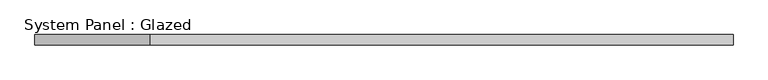
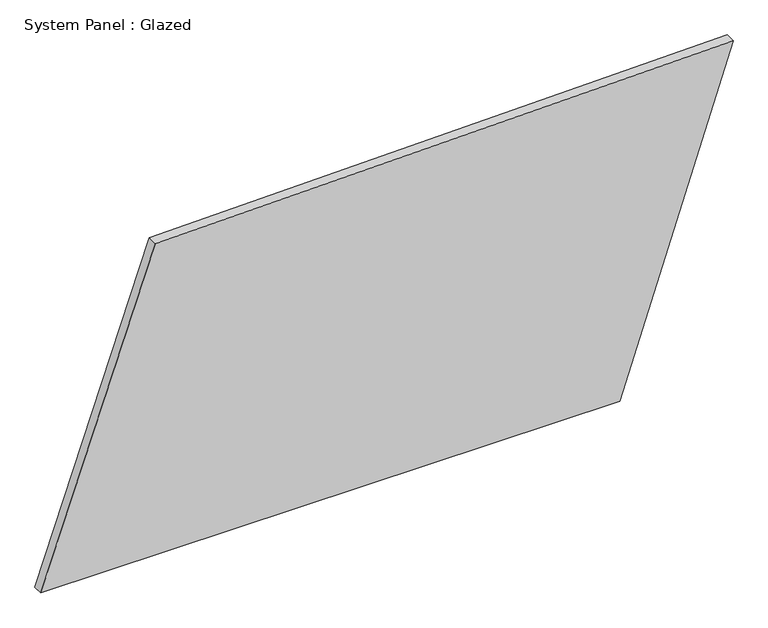
"""IFC4 building model written with IfcOpenShell, lengths in millimetres: plate geometry, System Panel : Glazed."""

import ifcopenshell
import ifcopenshell.guid

model = None  # the IFC model being written
_history = None  # IfcOwnerHistory: only IFC2X3 demands one
_inside = {}  # id of a spatial element -> (the spatial element, [elements in it])
_under = {}  # id of a project, library or spatial element -> (it, [spatial elements below it])
_declared = {}  # id of a project -> (the project, [libraries it declares])
_typed = {}  # id of a type object -> (the type object, [elements of that type])
_made_of = {}  # id of a material, layer set ... -> (it, [elements and type objects made of it])


def new_model(schema):
    """Start an empty IFC model of exactly this schema.

    Asked for "IFC4X3", IfcOpenShell would pick the latest addendum, in which some entities
    have other attributes; the version numbers below select the first issue.
    IFC2X3 requires an IfcOwnerHistory on every rooted entity: one is made here for all.
    """
    global model, _history
    if schema == "IFC4X3":
        model = ifcopenshell.file(schema_version=(4, 3, 0, 0))
    else:
        model = ifcopenshell.file(schema=schema)
    _inside.clear()
    _under.clear()
    _declared.clear()
    _typed.clear()
    _made_of.clear()
    _history = None
    if model.schema == "IFC2X3":
        org = make("IfcOrganization", Name="unknown")
        user = make(
            "IfcPersonAndOrganization",
            ThePerson=make("IfcPerson", FamilyName="unknown"),
            TheOrganization=org,
        )
        app = make(
            "IfcApplication",
            ApplicationDeveloper=org,
            Version="unknown",
            ApplicationFullName="unknown",
            ApplicationIdentifier="unknown",
        )
        _history = make(
            "IfcOwnerHistory",
            OwningUser=user,
            OwningApplication=app,
            ChangeAction="ADDED",
            CreationDate=0,
        )
    return model


def make(cls, **values):
    """One entity of the class cls with the attributes given. An attribute that is None is left unset."""
    return model.create_entity(
        cls, **{name: value for name, value in values.items() if value is not None}
    )


def rooted(cls, **values):
    """An entity with a GlobalId (a new one), such as an element, a storey or a relation."""
    return make(cls, GlobalId=ifcopenshell.guid.new(), OwnerHistory=_history, **values)


def si_unit(unit_type, name, prefix=None):
    """IfcSIUnit, for example si_unit("LENGTHUNIT", "METRE", prefix="MILLI")."""
    return make("IfcSIUnit", UnitType=unit_type, Prefix=prefix, Name=name)


def assignment(units):
    """IfcUnitAssignment: the units of a project."""
    return None if units is None else make("IfcUnitAssignment", Units=units)


def point(xyz):
    """IfcCartesianPoint."""
    return None if xyz is None else make("IfcCartesianPoint", Coordinates=xyz)


def direction(xyz):
    """IfcDirection."""
    return None if xyz is None else make("IfcDirection", DirectionRatios=xyz)


def frame(location, z_axis=None, x_axis=None):
    """IfcAxis2Placement3D, a coordinate frame: its origin and axes. An axis left out is left unset."""
    return make(
        "IfcAxis2Placement3D",
        Location=point(location),
        Axis=direction(z_axis),
        RefDirection=direction(x_axis),
    )


def origin():
    """The frame at (0, 0, 0) with its axes left unset."""
    return frame((0.0, 0.0, 0.0))


def place(relative_to, where):
    """IfcLocalPlacement: puts the frame where relative to a parent placement (None: the world)."""
    return make(
        "IfcLocalPlacement", PlacementRelTo=relative_to, RelativePlacement=where
    )


def context(
    kind, dimensions, precision=None, world=None, true_north=None, identifier=None
):
    """IfcGeometricRepresentationContext, for example the 3D "Model" context."""
    return make(
        "IfcGeometricRepresentationContext",
        ContextIdentifier=identifier,
        ContextType=kind,
        CoordinateSpaceDimension=dimensions,
        Precision=precision,
        WorldCoordinateSystem=world,
        TrueNorth=true_north,
    )


def project(units=None, contexts=None):
    """IfcProject with its units and contexts."""
    return rooted(
        "IfcProject",
        Name="project",
        RepresentationContexts=contexts,
        UnitsInContext=assignment(units),
    )


def spatial(cls, under=None, at=None, **own):
    """A site, building, storey or space (cls), placed at a placement, below another one or the project."""
    s = rooted(cls, ObjectPlacement=at, **own)
    if under is not None:
        _under.setdefault(under.id(), (under, []))[1].append(s)
    return s


def polyline(points):
    """IfcPolyline through the points."""
    return make("IfcPolyline", Points=[point(p) for p in points])


def outline(outer, holes=None, kind="AREA"):
    """IfcArbitraryClosedProfileDef: a profile drawn as a closed curve; with holes, ...WithVoids."""
    if holes is None:
        return make("IfcArbitraryClosedProfileDef", ProfileType=kind, OuterCurve=outer)
    return make(
        "IfcArbitraryProfileDefWithVoids",
        ProfileType=kind,
        OuterCurve=outer,
        InnerCurves=holes,
    )


def extrude(swept, where, along, depth):
    """IfcExtrudedAreaSolid: the profile swept, set in the frame where, extruded along a direction by depth."""
    return make(
        "IfcExtrudedAreaSolid",
        SweptArea=swept,
        Position=where,
        ExtrudedDirection=direction(along),
        Depth=depth,
    )


def shape(context_of_items, identifier, shape_type, items):
    """IfcShapeRepresentation: the items that make up one representation, for example the "Body"."""
    return make(
        "IfcShapeRepresentation",
        ContextOfItems=context_of_items,
        RepresentationIdentifier=identifier,
        RepresentationType=shape_type,
        Items=items,
    )


def source(mapping_origin, context_of_items, identifier, shape_type, items):
    """IfcRepresentationMap: a shape defined once, which mapped items show again and again."""
    return make(
        "IfcRepresentationMap",
        MappingOrigin=mapping_origin,
        MappedRepresentation=shape(context_of_items, identifier, shape_type, items),
    )


def transform(
    local_origin,
    x_axis=None,
    y_axis=None,
    z_axis=None,
    scale=None,
    scale2=None,
    scale3=None,
    uniform=True,
):
    """IfcCartesianTransformationOperator3D, or its non-uniform kind. x_axis, y_axis, z_axis: its Axis1, 2, 3."""
    if uniform:
        return make(
            "IfcCartesianTransformationOperator3D",
            Axis1=direction(x_axis),
            Axis2=direction(y_axis),
            LocalOrigin=point(local_origin),
            Scale=scale,
            Axis3=direction(z_axis),
        )
    return make(
        "IfcCartesianTransformationOperator3DnonUniform",
        Axis1=direction(x_axis),
        Axis2=direction(y_axis),
        LocalOrigin=point(local_origin),
        Scale=scale,
        Axis3=direction(z_axis),
        Scale2=scale2,
        Scale3=scale3,
    )


def mapped(mapping_source, mapping_target):
    """IfcMappedItem: shows the shape of a source again, moved by a transform."""
    return make(
        "IfcMappedItem", MappingSource=mapping_source, MappingTarget=mapping_target
    )


def made_of(thing, what):
    """Note that an element or type object is made of a material, layer set ...; save() writes the relation."""
    if what is not None:
        _made_of.setdefault(what.id(), (what, []))[1].append(thing)
    return thing


def element(
    cls,
    number,
    at=None,
    inside=None,
    cuts=None,
    type_object=None,
    material=None,
    context=None,
    identifier="Body",
    shape_type=None,
    held_by="IfcProductDefinitionShape",
    body=None,
    shapes=None,
    **own,
):
    """One element of the class cls, such as IfcWall. Its Tag is "e" and its number.

    at: its placement. inside: the storey or other place that contains it. cuts: it is an
    opening in that element (IfcRelVoidsElement). A single representation is given by context,
    identifier, shape_type and body (its items); several are given by shapes. held_by: the class
    of the entity that holds the representations. save() writes the other relations.
    """
    e = rooted(cls, Tag="e%d" % number, ObjectPlacement=at, **own)
    if body is not None:
        shapes = [shape(context, identifier, shape_type, body)]
    if shapes is not None:
        e.Representation = make(held_by, Representations=shapes)
    if inside is not None:
        _inside.setdefault(inside.id(), (inside, []))[1].append(e)
    if cuts is not None:
        rooted(
            "IfcRelVoidsElement", RelatingBuildingElement=cuts, RelatedOpeningElement=e
        )
    if type_object is not None:
        _typed.setdefault(type_object.id(), (type_object, []))[1].append(e)
    return made_of(e, material)


def aggregate(whole, parts):
    """IfcRelAggregates: a whole, such as a stair, and the parts it consists of."""
    return rooted("IfcRelAggregates", RelatingObject=whole, RelatedObjects=parts)


def save(model, path):
    """Write the relations noted so far, then the file.

    IfcRelAggregates (storeys below a building ...), IfcRelContainedInSpatialStructure (elements
    in a storey), IfcRelDefinesByType, IfcRelAssociatesMaterial and IfcRelDeclares: one each for
    every whole, place, type object, material and project.
    """
    for whole, parts in _under.values():
        aggregate(whole, parts)
    for where, things in _inside.values():
        rooted(
            "IfcRelContainedInSpatialStructure",
            RelatedElements=things,
            RelatingStructure=where,
        )
    for kind, things in _typed.values():
        rooted("IfcRelDefinesByType", RelatedObjects=things, RelatingType=kind)
    for what, things in _made_of.values():
        rooted("IfcRelAssociatesMaterial", RelatedObjects=things, RelatingMaterial=what)
    for by, libraries in _declared.values():
        rooted("IfcRelDeclares", RelatingContext=by, RelatedDefinitions=libraries)
    model.write(path)


def system_panel_glazed_edd4ad69(model_context):
    return source(origin(), model_context, "Body", "SweptSolid", [
        extrude(outline(polyline([(0.0, -860.3250099), (0.0, 578.0878695), (848.4278964, 860.3250099), (817.8156589, -576.0635737), (0.0, -860.3250099)])), frame((0.0, -49.5, 0.0), z_axis=(0.0, 1.0, 0.0), x_axis=(0.0, 0.0, 1.0)), (0.0, 0.0, 1.0), 25.0),
    ])


if __name__ == "__main__":
    model = new_model("IFC4")
    model_context = context("Model", 3, world=origin())
    ifc_project = project(units=[si_unit("LENGTHUNIT", "METRE", prefix="MILLI")], contexts=[model_context])
    site = spatial("IfcSite", under=ifc_project)
    building = spatial("IfcBuilding", under=site)
    placement = place(None, origin())
    system_panel_glazed_shape = system_panel_glazed_edd4ad69(model_context)
    element("IfcPlate", 1, ObjectType="System Panel : Glazed", at=placement, inside=building, context=model_context, shape_type="MappedRepresentation", body=[
        mapped(system_panel_glazed_shape, transform((0.0, 0.0, 0.0), x_axis=(1.0, 0.0, 0.0), y_axis=(0.0, 1.0, 0.0), z_axis=(0.0, 0.0, 1.0))),
    ])
    save(model, "model.ifc")
